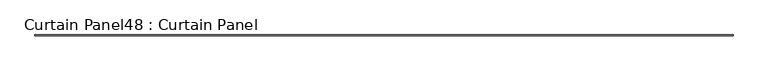
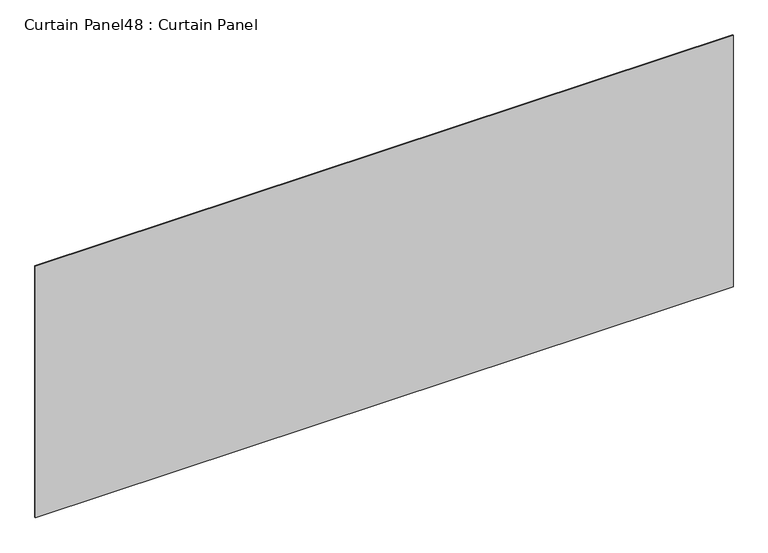
"""IFC4 building model written with IfcOpenShell, lengths in millimetres: plate geometry, Curtain Panel48 : Curtain Panel."""

from ifc_helpers import new_model, si_unit, frame, origin, place, context, project, spatial, polyline, outline, extrude, source, transform, mapped, element, save


def curtain_panel48_curtain_panel_36424343(model_context):
    return source(origin(), model_context, "Body", "SweptSolid", [
        extrude(outline(polyline([(31816.5304088, 1721.1260947), (26584.1304088, 1721.1260947), (26584.1304088, 1727.4760947), (31816.5304088, 1727.4760947), (31816.5304088, 1721.1260947)])), frame((0.0, 0.0, 7963.0983685), z_axis=(0.0, 0.0, 1.0), x_axis=(1.0, 0.0, 0.0)), (0.0, 0.0, 1.0), 1992.3099666),
    ])


if __name__ == "__main__":
    model = new_model("IFC4")
    model_context = context("Model", 3, world=origin())
    ifc_project = project(units=[si_unit("LENGTHUNIT", "METRE", prefix="MILLI")], contexts=[model_context])
    site = spatial("IfcSite", under=ifc_project)
    building = spatial("IfcBuilding", under=site)
    placement = place(None, origin())
    curtain_panel48_curtain_panel_shape = curtain_panel48_curtain_panel_36424343(model_context)
    element("IfcPlate", 1, ObjectType="Curtain Panel48 : Curtain Panel", at=placement, inside=building, context=model_context, shape_type="MappedRepresentation", body=[
        mapped(curtain_panel48_curtain_panel_shape, transform((0.0, 0.0, 0.0), x_axis=(1.0, 0.0, 0.0), y_axis=(0.0, 1.0, 0.0), z_axis=(0.0, 0.0, 1.0))),
    ])
    save(model, "model.ifc")
